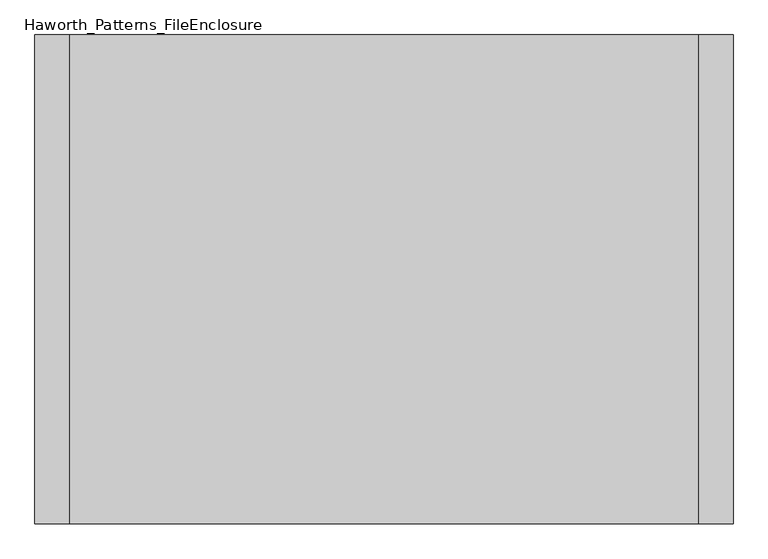
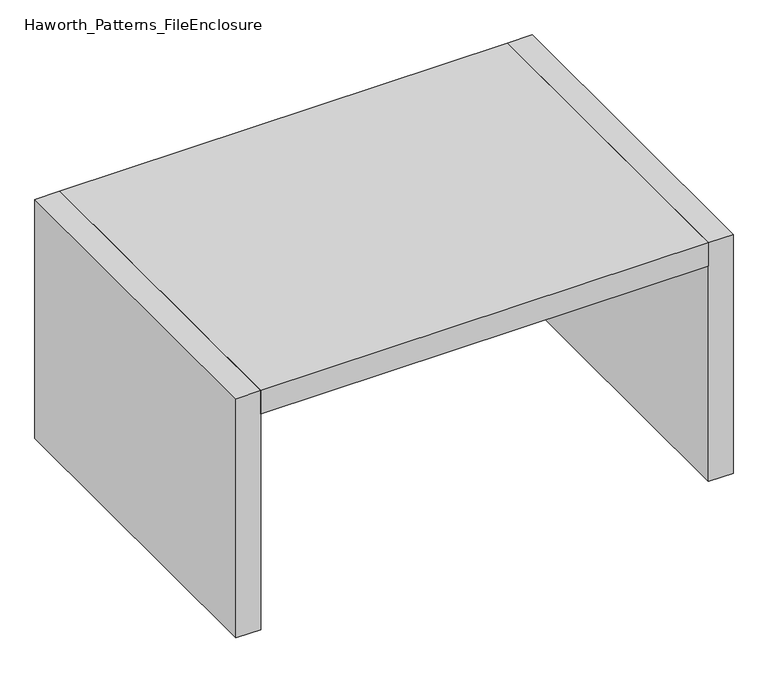
"""IFC4 building model written with IfcOpenShell, lengths in millimetres: furniture geometry, Haworth_Patterns_FileEnclosure."""

import ifcopenshell
import ifcopenshell.guid

model = None  # the IFC model being written
_history = None  # IfcOwnerHistory: only IFC2X3 demands one
_inside = {}  # id of a spatial element -> (the spatial element, [elements in it])
_under = {}  # id of a project, library or spatial element -> (it, [spatial elements below it])
_declared = {}  # id of a project -> (the project, [libraries it declares])
_typed = {}  # id of a type object -> (the type object, [elements of that type])
_made_of = {}  # id of a material, layer set ... -> (it, [elements and type objects made of it])


def new_model(schema):
    """Start an empty IFC model of exactly this schema.

    Asked for "IFC4X3", IfcOpenShell would pick the latest addendum, in which some entities
    have other attributes; the version numbers below select the first issue.
    IFC2X3 requires an IfcOwnerHistory on every rooted entity: one is made here for all.
    """
    global model, _history
    if schema == "IFC4X3":
        model = ifcopenshell.file(schema_version=(4, 3, 0, 0))
    else:
        model = ifcopenshell.file(schema=schema)
    _inside.clear()
    _under.clear()
    _declared.clear()
    _typed.clear()
    _made_of.clear()
    _history = None
    if model.schema == "IFC2X3":
        org = make("IfcOrganization", Name="unknown")
        user = make(
            "IfcPersonAndOrganization",
            ThePerson=make("IfcPerson", FamilyName="unknown"),
            TheOrganization=org,
        )
        app = make(
            "IfcApplication",
            ApplicationDeveloper=org,
            Version="unknown",
            ApplicationFullName="unknown",
            ApplicationIdentifier="unknown",
        )
        _history = make(
            "IfcOwnerHistory",
            OwningUser=user,
            OwningApplication=app,
            ChangeAction="ADDED",
            CreationDate=0,
        )
    return model


def make(cls, **values):
    """One entity of the class cls with the attributes given. An attribute that is None is left unset."""
    return model.create_entity(
        cls, **{name: value for name, value in values.items() if value is not None}
    )


def rooted(cls, **values):
    """An entity with a GlobalId (a new one), such as an element, a storey or a relation."""
    return make(cls, GlobalId=ifcopenshell.guid.new(), OwnerHistory=_history, **values)


def si_unit(unit_type, name, prefix=None):
    """IfcSIUnit, for example si_unit("LENGTHUNIT", "METRE", prefix="MILLI")."""
    return make("IfcSIUnit", UnitType=unit_type, Prefix=prefix, Name=name)


def assignment(units):
    """IfcUnitAssignment: the units of a project."""
    return None if units is None else make("IfcUnitAssignment", Units=units)


def point(xyz):
    """IfcCartesianPoint."""
    return None if xyz is None else make("IfcCartesianPoint", Coordinates=xyz)


def direction(xyz):
    """IfcDirection."""
    return None if xyz is None else make("IfcDirection", DirectionRatios=xyz)


def frame(location, z_axis=None, x_axis=None):
    """IfcAxis2Placement3D, a coordinate frame: its origin and axes. An axis left out is left unset."""
    return make(
        "IfcAxis2Placement3D",
        Location=point(location),
        Axis=direction(z_axis),
        RefDirection=direction(x_axis),
    )


def origin():
    """The frame at (0, 0, 0) with its axes left unset."""
    return frame((0.0, 0.0, 0.0))


def origin_with_axes():
    """The frame at (0, 0, 0) with the z axis (0, 0, 1) and the x axis (1, 0, 0) written out."""
    return frame((0.0, 0.0, 0.0), z_axis=(0.0, 0.0, 1.0), x_axis=(1.0, 0.0, 0.0))


def place(relative_to, where):
    """IfcLocalPlacement: puts the frame where relative to a parent placement (None: the world)."""
    return make(
        "IfcLocalPlacement", PlacementRelTo=relative_to, RelativePlacement=where
    )


def context(
    kind, dimensions, precision=None, world=None, true_north=None, identifier=None
):
    """IfcGeometricRepresentationContext, for example the 3D "Model" context."""
    return make(
        "IfcGeometricRepresentationContext",
        ContextIdentifier=identifier,
        ContextType=kind,
        CoordinateSpaceDimension=dimensions,
        Precision=precision,
        WorldCoordinateSystem=world,
        TrueNorth=true_north,
    )


def project(units=None, contexts=None):
    """IfcProject with its units and contexts."""
    return rooted(
        "IfcProject",
        Name="project",
        RepresentationContexts=contexts,
        UnitsInContext=assignment(units),
    )


def spatial(cls, under=None, at=None, **own):
    """A site, building, storey or space (cls), placed at a placement, below another one or the project."""
    s = rooted(cls, ObjectPlacement=at, **own)
    if under is not None:
        _under.setdefault(under.id(), (under, []))[1].append(s)
    return s


def polyline(points):
    """IfcPolyline through the points."""
    return make("IfcPolyline", Points=[point(p) for p in points])


def outline(outer, holes=None, kind="AREA"):
    """IfcArbitraryClosedProfileDef: a profile drawn as a closed curve; with holes, ...WithVoids."""
    if holes is None:
        return make("IfcArbitraryClosedProfileDef", ProfileType=kind, OuterCurve=outer)
    return make(
        "IfcArbitraryProfileDefWithVoids",
        ProfileType=kind,
        OuterCurve=outer,
        InnerCurves=holes,
    )


def extrude(swept, where, along, depth):
    """IfcExtrudedAreaSolid: the profile swept, set in the frame where, extruded along a direction by depth."""
    return make(
        "IfcExtrudedAreaSolid",
        SweptArea=swept,
        Position=where,
        ExtrudedDirection=direction(along),
        Depth=depth,
    )


def shape(context_of_items, identifier, shape_type, items):
    """IfcShapeRepresentation: the items that make up one representation, for example the "Body"."""
    return make(
        "IfcShapeRepresentation",
        ContextOfItems=context_of_items,
        RepresentationIdentifier=identifier,
        RepresentationType=shape_type,
        Items=items,
    )


def source(mapping_origin, context_of_items, identifier, shape_type, items):
    """IfcRepresentationMap: a shape defined once, which mapped items show again and again."""
    return make(
        "IfcRepresentationMap",
        MappingOrigin=mapping_origin,
        MappedRepresentation=shape(context_of_items, identifier, shape_type, items),
    )


def transform(
    local_origin,
    x_axis=None,
    y_axis=None,
    z_axis=None,
    scale=None,
    scale2=None,
    scale3=None,
    uniform=True,
):
    """IfcCartesianTransformationOperator3D, or its non-uniform kind. x_axis, y_axis, z_axis: its Axis1, 2, 3."""
    if uniform:
        return make(
            "IfcCartesianTransformationOperator3D",
            Axis1=direction(x_axis),
            Axis2=direction(y_axis),
            LocalOrigin=point(local_origin),
            Scale=scale,
            Axis3=direction(z_axis),
        )
    return make(
        "IfcCartesianTransformationOperator3DnonUniform",
        Axis1=direction(x_axis),
        Axis2=direction(y_axis),
        LocalOrigin=point(local_origin),
        Scale=scale,
        Axis3=direction(z_axis),
        Scale2=scale2,
        Scale3=scale3,
    )


def mapped(mapping_source, mapping_target):
    """IfcMappedItem: shows the shape of a source again, moved by a transform."""
    return make(
        "IfcMappedItem", MappingSource=mapping_source, MappingTarget=mapping_target
    )


def made_of(thing, what):
    """Note that an element or type object is made of a material, layer set ...; save() writes the relation."""
    if what is not None:
        _made_of.setdefault(what.id(), (what, []))[1].append(thing)
    return thing


def element(
    cls,
    number,
    at=None,
    inside=None,
    cuts=None,
    type_object=None,
    material=None,
    context=None,
    identifier="Body",
    shape_type=None,
    held_by="IfcProductDefinitionShape",
    body=None,
    shapes=None,
    **own,
):
    """One element of the class cls, such as IfcWall. Its Tag is "e" and its number.

    at: its placement. inside: the storey or other place that contains it. cuts: it is an
    opening in that element (IfcRelVoidsElement). A single representation is given by context,
    identifier, shape_type and body (its items); several are given by shapes. held_by: the class
    of the entity that holds the representations. save() writes the other relations.
    """
    e = rooted(cls, Tag="e%d" % number, ObjectPlacement=at, **own)
    if body is not None:
        shapes = [shape(context, identifier, shape_type, body)]
    if shapes is not None:
        e.Representation = make(held_by, Representations=shapes)
    if inside is not None:
        _inside.setdefault(inside.id(), (inside, []))[1].append(e)
    if cuts is not None:
        rooted(
            "IfcRelVoidsElement", RelatingBuildingElement=cuts, RelatedOpeningElement=e
        )
    if type_object is not None:
        _typed.setdefault(type_object.id(), (type_object, []))[1].append(e)
    return made_of(e, material)


def aggregate(whole, parts):
    """IfcRelAggregates: a whole, such as a stair, and the parts it consists of."""
    return rooted("IfcRelAggregates", RelatingObject=whole, RelatedObjects=parts)


def save(model, path):
    """Write the relations noted so far, then the file.

    IfcRelAggregates (storeys below a building ...), IfcRelContainedInSpatialStructure (elements
    in a storey), IfcRelDefinesByType, IfcRelAssociatesMaterial and IfcRelDeclares: one each for
    every whole, place, type object, material and project.
    """
    for whole, parts in _under.values():
        aggregate(whole, parts)
    for where, things in _inside.values():
        rooted(
            "IfcRelContainedInSpatialStructure",
            RelatedElements=things,
            RelatingStructure=where,
        )
    for kind, things in _typed.values():
        rooted("IfcRelDefinesByType", RelatedObjects=things, RelatingType=kind)
    for what, things in _made_of.values():
        rooted("IfcRelAssociatesMaterial", RelatedObjects=things, RelatingMaterial=what)
    for by, libraries in _declared.values():
        rooted("IfcRelDeclares", RelatingContext=by, RelatedDefinitions=libraries)
    model.write(path)


def haworth_patterns_fileenclosure_6f70404d(model_context):
    return source(origin(), model_context, "Body", "SweptSolid", [
        extrude(outline(polyline([(685.8, 0.0), (685.8, -1066.8), (-685.8, -1066.8), (-685.8, 0.0), (685.8, 0.0)])), frame((0.0, 0.0, 698.5), z_axis=(0.0, 0.0, 1.0), x_axis=(1.0, 0.0, 0.0)), (0.0, 0.0, 1.0), 76.2),
        extrude(outline(polyline([(685.8, 0.0), (762.0, 0.0), (762.0, -1066.8), (685.8, -1066.8), (685.8, 0.0)])), origin_with_axes(), (0.0, 0.0, 1.0), 774.7),
        extrude(outline(polyline([(-685.8, 0.0), (-685.8, -1066.8), (-762.0, -1066.8), (-762.0, 0.0), (-685.8, 0.0)])), origin_with_axes(), (0.0, 0.0, 1.0), 774.7),
    ])


if __name__ == "__main__":
    model = new_model("IFC4")
    model_context = context("Model", 3, world=origin())
    ifc_project = project(units=[si_unit("LENGTHUNIT", "METRE", prefix="MILLI")], contexts=[model_context])
    site = spatial("IfcSite", under=ifc_project)
    building = spatial("IfcBuilding", under=site)
    placement = place(None, origin())
    haworth_patterns_fileenclosure_shape = haworth_patterns_fileenclosure_6f70404d(model_context)
    element("IfcFurniture", 1, ObjectType="Haworth_Patterns_FileEnclosure", at=placement, inside=building, context=model_context, shape_type="MappedRepresentation", body=[
        mapped(haworth_patterns_fileenclosure_shape, transform((0.0, 0.0, 0.0), x_axis=(1.0, 0.0, 0.0), y_axis=(0.0, 1.0, 0.0), z_axis=(0.0, 0.0, 1.0))),
    ])
    save(model, "model.ifc")
